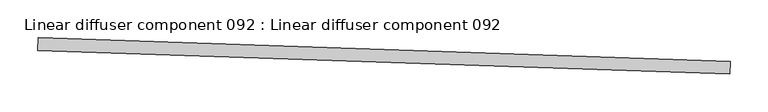
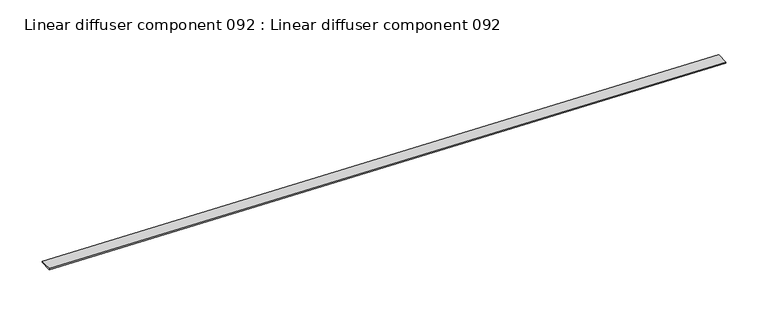
"""IFC4 building model written with IfcOpenShell, lengths in millimetres: proxy geometry, Linear diffuser component 092 : Linear diffuser component 092."""

from ifc_helpers import new_model, si_unit, frame, origin, place, context, project, spatial, polyline, outline, extrude, source, transform, mapped, element, save


def linear_diffuser_component_092_linear_diffuser_component_092_d5bb5c42(model_context):
    return source(origin(), model_context, "Body", "SweptSolid", [
        extrude(outline(polyline([(33389.2802969, -16942.0461855), (33389.8626769, -16925.0283816), (34303.7277052, -16956.3024909), (34303.1453253, -16973.3202949), (33389.2802969, -16942.0461855)])), frame((0.0, 0.0, 2967.0605172), z_axis=(0.0, 0.0, 1.0), x_axis=(1.0, 0.0, 0.0)), (0.0, 0.0, 1.0), 1.9356634),
    ])


if __name__ == "__main__":
    model = new_model("IFC4")
    model_context = context("Model", 3, world=origin())
    ifc_project = project(units=[si_unit("LENGTHUNIT", "METRE", prefix="MILLI")], contexts=[model_context])
    site = spatial("IfcSite", under=ifc_project)
    building = spatial("IfcBuilding", under=site)
    placement = place(None, origin())
    linear_diffuser_component_092_linear_diffuser_component_092_shape = linear_diffuser_component_092_linear_diffuser_component_092_d5bb5c42(model_context)
    element("IfcBuildingElementProxy", 1, Name="Linear diffuser component 092 : Linear diffuser component 092", ObjectType="Linear diffuser component 092 : Linear diffuser component 092", at=placement, inside=building, context=model_context, shape_type="MappedRepresentation", body=[
        mapped(linear_diffuser_component_092_linear_diffuser_component_092_shape, transform((0.0, 0.0, 0.0), x_axis=(1.0, 0.0, 0.0), y_axis=(0.0, 1.0, 0.0), z_axis=(0.0, 0.0, 1.0))),
    ])
    save(model, "model.ifc")
